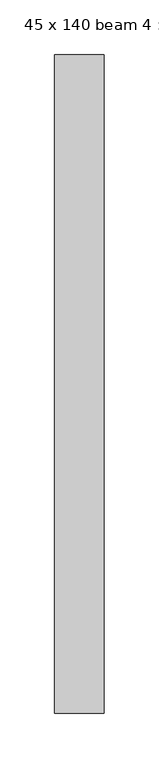
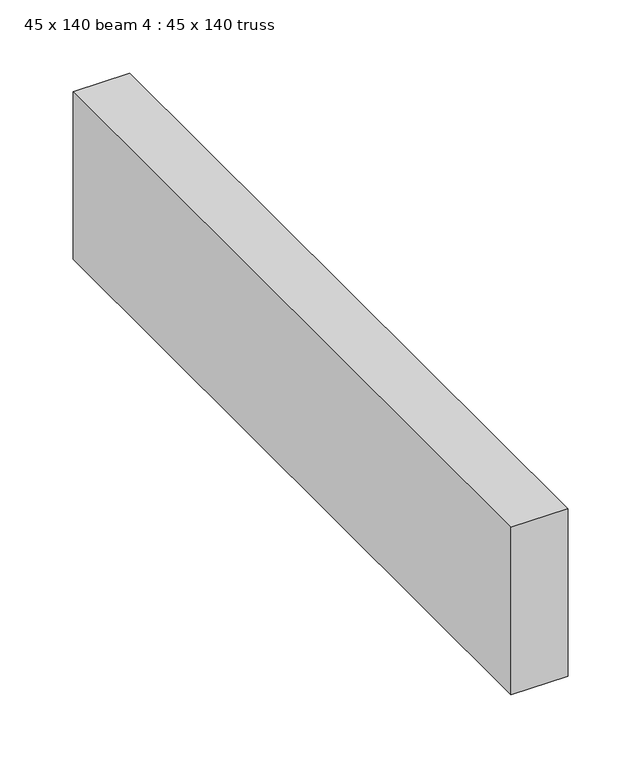
"""IFC4 building model written with IfcOpenShell, lengths in millimetres: proxy geometry, 45 x 140 beam 4 : 45 x 140 truss."""

from ifc_helpers import new_model, si_unit, frame, origin, place, context, project, spatial, polyline, outline, extrude, source, transform, mapped, element, save


def proxy_45_x_140_beam_4_45_x_140_truss_497669c5(model_context):
    return source(origin(), model_context, "Body", "SweptSolid", [
        extrude(outline(polyline([(-11636.1805362, -50.716349), (-11591.1805362, -50.716349), (-11591.1805362, -650.716349), (-11636.1805362, -650.716349), (-11636.1805362, -50.716349)])), frame((0.0, 0.0, 3644.2452806), z_axis=(0.0, 0.0, 1.0), x_axis=(1.0, 0.0, 0.0)), (0.0, 0.0, 1.0), 140.0),
    ])


if __name__ == "__main__":
    model = new_model("IFC4")
    model_context = context("Model", 3, world=origin())
    ifc_project = project(units=[si_unit("LENGTHUNIT", "METRE", prefix="MILLI")], contexts=[model_context])
    site = spatial("IfcSite", under=ifc_project)
    building = spatial("IfcBuilding", under=site)
    placement = place(None, origin())
    proxy_45_x_140_beam_4_45_x_140_truss_shape = proxy_45_x_140_beam_4_45_x_140_truss_497669c5(model_context)
    element("IfcBuildingElementProxy", 1, Name="45 x 140 beam 4 : 45 x 140 truss", ObjectType="45 x 140 beam 4 : 45 x 140 truss", at=placement, inside=building, context=model_context, shape_type="MappedRepresentation", body=[
        mapped(proxy_45_x_140_beam_4_45_x_140_truss_shape, transform((0.0, 0.0, 0.0), x_axis=(1.0, 0.0, 0.0), y_axis=(0.0, 1.0, 0.0), z_axis=(0.0, 0.0, 1.0))),
    ])
    save(model, "model.ifc")
